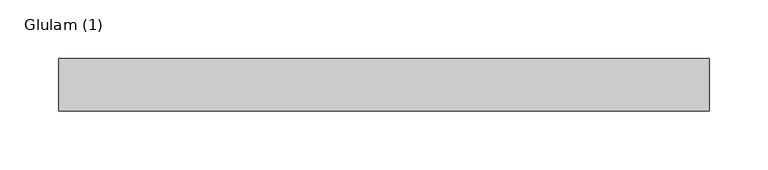
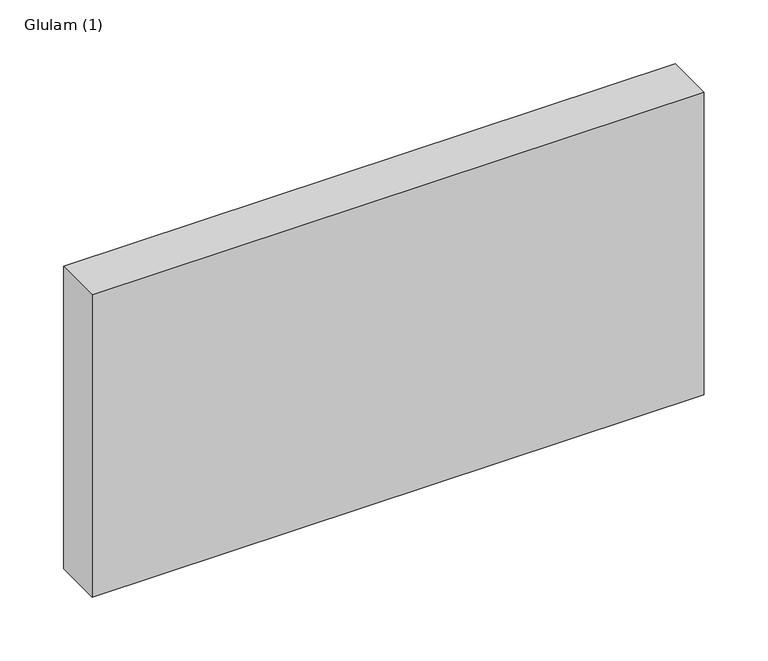
"""IFC4 building model written with IfcOpenShell, lengths in millimetres: beam geometry, Glulam (1)."""

from ifc_helpers import new_model, si_unit, frame, origin, place, context, project, spatial, polyline, outline, extrude, source, transform, mapped, element, save


def glulam_1_b1646958(model_context):
    return source(origin(), model_context, "Body", "SweptSolid", [
        extrude(outline(polyline([(278.0, 22.5), (278.0, -22.5), (-277.0, -22.5), (-277.0, 22.5), (278.0, 22.5)])), frame((0.0, 0.0, -145.0), z_axis=(0.0, 0.0, 1.0), x_axis=(1.0, 0.0, 0.0)), (0.0, 0.0, 1.0), 290.0),
    ])


if __name__ == "__main__":
    model = new_model("IFC4")
    model_context = context("Model", 3, world=origin())
    ifc_project = project(units=[si_unit("LENGTHUNIT", "METRE", prefix="MILLI")], contexts=[model_context])
    site = spatial("IfcSite", under=ifc_project)
    building = spatial("IfcBuilding", under=site)
    placement = place(None, origin())
    glulam_1_shape = glulam_1_b1646958(model_context)
    element("IfcBeam", 1, ObjectType="Glulam (1)", at=placement, inside=building, context=model_context, shape_type="MappedRepresentation", body=[
        mapped(glulam_1_shape, transform((0.0, 0.0, 0.0), x_axis=(1.0, 0.0, 0.0), y_axis=(0.0, 1.0, 0.0), z_axis=(0.0, 0.0, 1.0))),
    ])
    save(model, "model.ifc")
